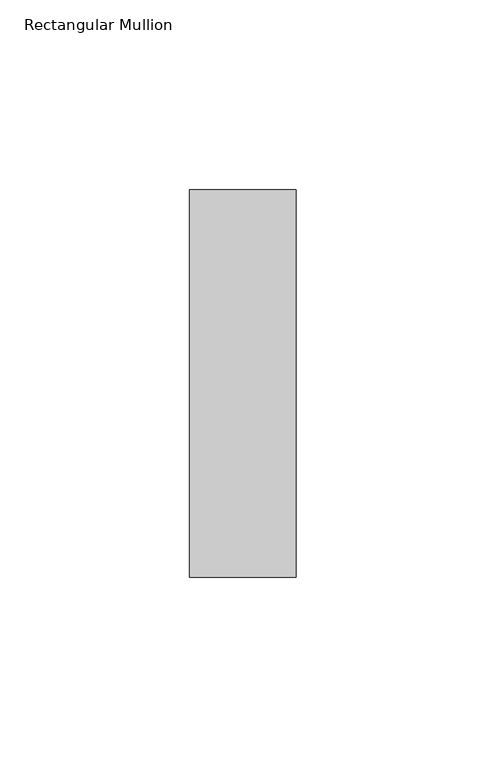
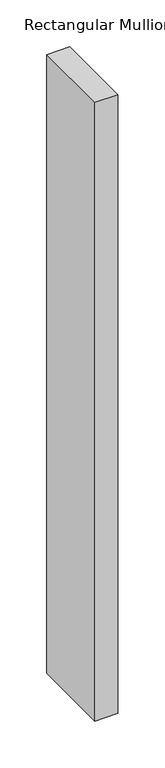
"""IFC4 building model written with IfcOpenShell, lengths in millimetres: member geometry, Rectangular Mullion."""

from ifc_helpers import new_model, si_unit, frame, origin, place, context, project, spatial, polyline, outline, extrude, source, transform, mapped, element, save


def rectangular_mullion_35ac50cc(model_context):
    return source(origin(), model_context, "Body", "SweptSolid", [
        extrude(outline(polyline([(-28.0, -51.0), (-28.0, 51.0), (0.0, 51.0), (0.0, -51.0), (-28.0, -51.0)])), frame((0.0, 0.0, -804.0), z_axis=(0.0, 0.0, 1.0), x_axis=(1.0, 0.0, 0.0)), (0.0, 0.0, 1.0), 804.0),
    ])


if __name__ == "__main__":
    model = new_model("IFC4")
    model_context = context("Model", 3, world=origin())
    ifc_project = project(units=[si_unit("LENGTHUNIT", "METRE", prefix="MILLI")], contexts=[model_context])
    site = spatial("IfcSite", under=ifc_project)
    building = spatial("IfcBuilding", under=site)
    placement = place(None, origin())
    rectangular_mullion_shape = rectangular_mullion_35ac50cc(model_context)
    element("IfcMember", 1, ObjectType="Rectangular Mullion", at=placement, inside=building, context=model_context, shape_type="MappedRepresentation", body=[
        mapped(rectangular_mullion_shape, transform((0.0, 0.0, 0.0), x_axis=(1.0, 0.0, 0.0), y_axis=(0.0, 1.0, 0.0), z_axis=(0.0, 0.0, 1.0))),
    ])
    save(model, "model.ifc")
